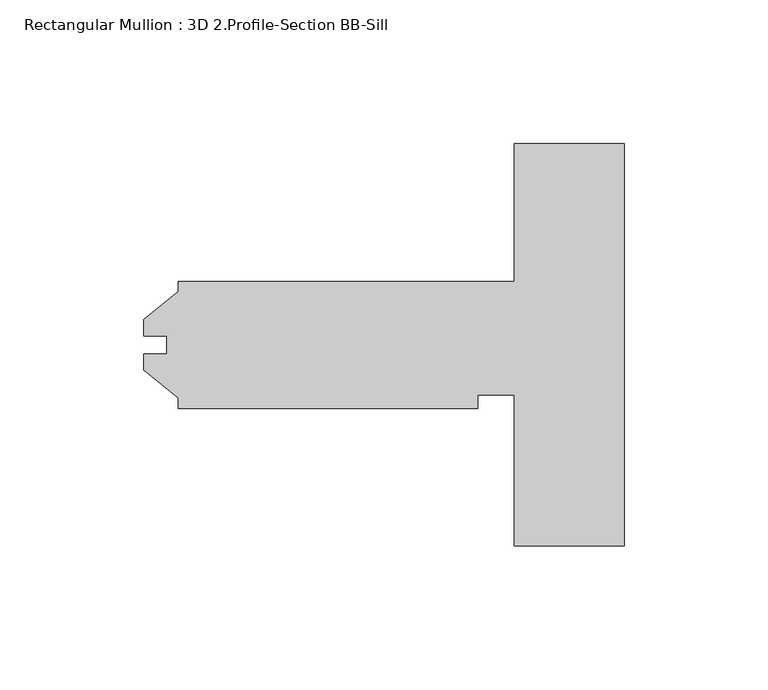
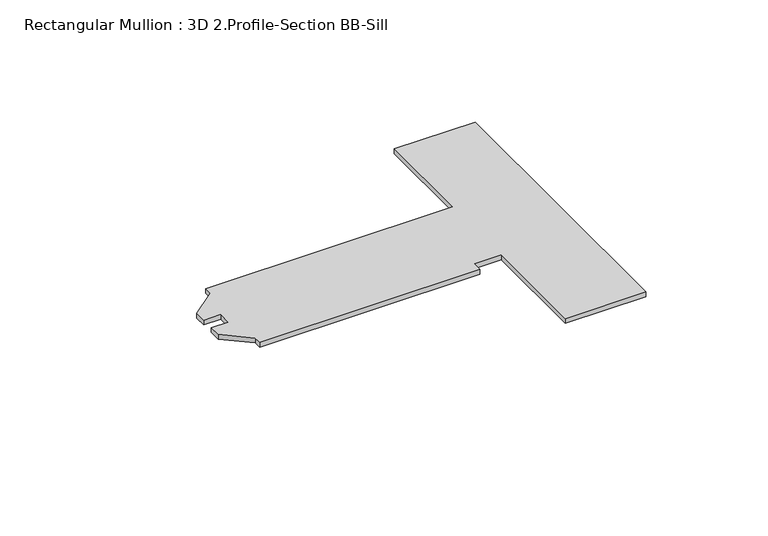
"""IFC4 building model written with IfcOpenShell, lengths in millimetres: member geometry, Rectangular Mullion : 3D 2.Profile-Section BB-Sill."""

from ifc_helpers import new_model, si_unit, frame, origin, place, context, project, spatial, polyline, outline, extrude, source, transform, mapped, element, save


def rectangular_mullion_3d_2_profile_section_bb_sill_6dfd0c96(model_context):
    return source(origin(), model_context, "Body", "SweptSolid", [
        extrude(outline(polyline([(0.0, 69.85), (0.0, -69.85), (-38.1, -69.85), (-38.1, -17.4625), (-50.8, -17.4625), (-50.8, -22.098), (-154.7622, -22.098), (-154.7622, -18.518836), (-166.66845, -8.7503), (-166.66845, -3.175), (-158.7246, -3.175), (-158.7246, 3.175), (-166.66845, 3.175), (-166.66845, 8.7503), (-154.7622, 18.518836), (-154.7622, 22.098), (-38.1, 22.098), (-38.1, 69.85), (0.0, 69.85)])), frame((0.0, 0.0, -2.38125), z_axis=(0.0, 0.0, 1.0), x_axis=(1.0, 0.0, 0.0)), (0.0, 0.0, 1.0), 2.38125),
    ])


if __name__ == "__main__":
    model = new_model("IFC4")
    model_context = context("Model", 3, world=origin())
    ifc_project = project(units=[si_unit("LENGTHUNIT", "METRE", prefix="MILLI")], contexts=[model_context])
    site = spatial("IfcSite", under=ifc_project)
    building = spatial("IfcBuilding", under=site)
    placement = place(None, origin())
    rectangular_mullion_3d_2_profile_section_bb_sill_shape = rectangular_mullion_3d_2_profile_section_bb_sill_6dfd0c96(model_context)
    element("IfcMember", 1, ObjectType="Rectangular Mullion : 3D 2.Profile-Section BB-Sill", at=placement, inside=building, context=model_context, shape_type="MappedRepresentation", body=[
        mapped(rectangular_mullion_3d_2_profile_section_bb_sill_shape, transform((0.0, 0.0, 0.0), x_axis=(1.0, 0.0, 0.0), y_axis=(0.0, 1.0, 0.0), z_axis=(0.0, 0.0, 1.0))),
    ])
    save(model, "model.ifc")
